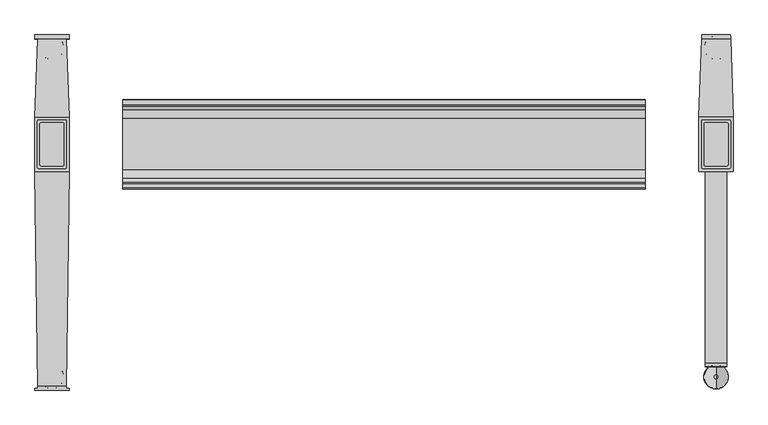
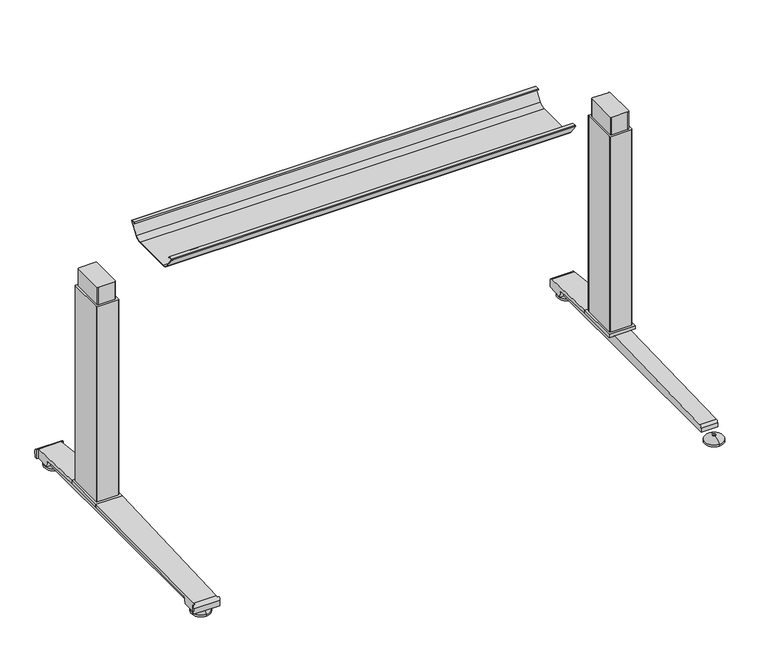
"""IFC4 building model written with IfcOpenShell, lengths in millimetres: furniture geometry."""

from ifc_helpers import new_model, si_unit, point, frame, frame_2d, origin, place, context, project, spatial, polyline, circle_curve, ellipse_curve, trimmed, segment, composite_curve, outline, extrude, source, transform, mapped, element, save
from ifc_brep_helpers import plane_surface, cylinder_surface, revolved_surface, advanced_brep


def furniture_2aeb3384(model_context):
    return source(origin(), model_context, "Body", "SolidModel", [
        advanced_brep(
        [(-538.5773962, 219.4245697, 701.7794894), (-538.5773962, 221.1889242, 704.0075511), (-538.5773962, 232.1695225, 704.0075511), (-538.5773962, 232.8996919, 701.4093085), (-538.5773962, 211.4733108, 671.8462148), (-538.5773962, 194.0724914, 663.2452863), (-538.5773962, 87.2846156, 663.2452863), (-538.5773962, 69.6568217, 672.2997482), (-538.5773962, 48.3221138, 702.0706054), (-538.5773962, 49.9606766, 704.1266572), (-538.5773962, 60.1758098, 704.1266572), (-538.5773962, 62.0467848, 701.7794894), (-538.5773962, 61.3055637, 701.2423822), (-538.5773962, 59.7353363, 703.2122572), (-538.5773962, 50.0567238, 703.2122572), (-538.5773962, 49.2508351, 702.3444366), (-538.5773962, 70.4000744, 672.8323858), (-538.5773962, 87.2846156, 664.1598536), (-538.5773962, 194.0724914, 664.1596863), (-538.5773962, 210.73984, 672.3923713), (-538.5773962, 232.0935627, 701.8552144), (-538.5773962, 231.8362942, 703.0931511), (-538.5773962, 221.631209, 703.0931511), (-538.5773962, 220.1656719, 701.2424419), (538.7619573, 219.4245697, 701.7794894), (538.7619573, 220.1656719, 701.2424419), (538.7619573, 221.631209, 703.0931511), (538.7619573, 231.8362942, 703.0931511), (538.7619573, 232.0935627, 701.8552144), (538.7619573, 210.73984, 672.3923713), (538.7619573, 194.0724914, 664.1596863), (538.7619573, 87.2846155, 664.1596863), (538.7619573, 70.4000744, 672.8323858), (538.7619573, 49.2508351, 702.3444366), (538.7619573, 50.0567238, 703.2122572), (538.7619573, 59.7353363, 703.2122572), (538.7619573, 61.3055637, 701.2423822), (538.7619573, 62.0467848, 701.7794894), (538.7619573, 60.1758098, 704.1266572), (538.7619573, 49.9606766, 704.1266572), (538.7619573, 48.3221138, 702.0706054), (538.7619573, 69.6568217, 672.2997482), (538.7619573, 87.2846156, 663.2454536), (538.7619573, 194.0724914, 663.2452863), (538.7619573, 211.4733108, 671.8462148), (538.7619573, 232.8996919, 701.4093085), (538.7619573, 232.1695225, 704.0075511), (538.7619573, 221.1889242, 704.0075511)],
        [
            (0, 1),
            (1, 2),
            (2, 3, circle_curve(frame((-538.5773962, 230.9519576, 702.2636667), z_axis=(-1.0, 0.0, 0.0), x_axis=(0.0, 1.0, 0.0)), 2.1268749)),
            (3, 4),
            (4, 5, circle_curve(frame((-538.5773962, 194.0724914, 685.1478336), z_axis=(-1.0, 0.0, 0.0), x_axis=(0.0, 1.0, 0.0)), 21.9025472)),
            (5, 6),
            (6, 7, circle_curve(frame((-538.5773962, 87.2846156, 684.932365), z_axis=(-1.0, 0.0, 0.0), x_axis=(0.0, 1.0, 0.0)), 21.6869114)),
            (7, 8),
            (8, 9, circle_curve(frame((-538.5773962, 50.3224635, 702.1573833), z_axis=(-1.0, 0.0, 0.0), x_axis=(0.0, 1.0, 0.0)), 2.0022311)),
            (9, 10),
            (10, 11),
            (11, 12),
            (12, 13),
            (13, 14),
            (14, 15, circle_curve(frame((-538.5773962, 50.3224635, 702.1573833), z_axis=(1.0, 0.0, 0.0), x_axis=(0.0, 1.0, 0.0)), 1.0878311)),
            (15, 16),
            (16, 17, circle_curve(frame((-538.5773962, 87.2846156, 684.932365), z_axis=(1.0, 0.0, 0.0), x_axis=(0.0, 1.0, 0.0)), 20.7725114)),
            (17, 18),
            (18, 19, circle_curve(frame((-538.5773962, 194.0724914, 685.1478336), z_axis=(1.0, 0.0, 0.0), x_axis=(0.0, 1.0, 0.0)), 20.9881473)),
            (19, 20),
            (20, 21, circle_curve(frame((-538.5773962, 230.9519576, 702.2636667), z_axis=(1.0, 0.0, 0.0), x_axis=(0.0, 1.0, 0.0)), 1.2124749)),
            (21, 22),
            (22, 23),
            (23, 0),
            (24, 25),
            (25, 26),
            (26, 27),
            (27, 28, circle_curve(frame((538.7619573, 230.9519576, 702.2636667), z_axis=(-1.0, 0.0, 0.0), x_axis=(0.0, 1.0, 0.0)), 1.2124749)),
            (28, 29),
            (29, 30, circle_curve(frame((538.7619573, 194.0724914, 685.1478336), z_axis=(-1.0, 0.0, 0.0), x_axis=(0.0, 1.0, 0.0)), 20.9881473)),
            (30, 31),
            (31, 32, circle_curve(frame((538.7619573, 87.2846156, 684.932365), z_axis=(-1.0, 0.0, 0.0), x_axis=(0.0, 1.0, 0.0)), 20.7725114)),
            (32, 33),
            (33, 34, circle_curve(frame((538.7619573, 50.3224635, 702.1573833), z_axis=(-1.0, 0.0, 0.0), x_axis=(0.0, 1.0, 0.0)), 1.0878311)),
            (34, 35),
            (35, 36),
            (36, 37),
            (37, 38),
            (38, 39),
            (39, 40, circle_curve(frame((538.7619573, 50.3224635, 702.1573833), z_axis=(1.0, 0.0, 0.0), x_axis=(0.0, 1.0, 0.0)), 2.0022311)),
            (40, 41),
            (41, 42, circle_curve(frame((538.7619573, 87.2846156, 684.932365), z_axis=(1.0, 0.0, 0.0), x_axis=(0.0, 1.0, 0.0)), 21.6869114)),
            (42, 43),
            (43, 44, circle_curve(frame((538.7619573, 194.0724914, 685.1478336), z_axis=(1.0, 0.0, 0.0), x_axis=(0.0, 1.0, 0.0)), 21.9025472)),
            (44, 45),
            (45, 46, circle_curve(frame((538.7619573, 230.9519576, 702.2636667), z_axis=(1.0, 0.0, 0.0), x_axis=(0.0, 1.0, 0.0)), 2.1268749)),
            (46, 47),
            (47, 24),
            (0, 24),
            (47, 1),
            (46, 2),
            (45, 3),
            (44, 4),
            (43, 5),
            (42, 6),
            (41, 7),
            (40, 8),
            (39, 9),
            (38, 10),
            (37, 11),
            (36, 12),
            (35, 13),
            (34, 14),
            (33, 15),
            (32, 16),
            (31, 17),
            (30, 18),
            (29, 19),
            (28, 20),
            (27, 21),
            (26, 22),
            (25, 23),
        ],
        [
            plane_surface(frame((-538.5773962, 140.7414, 707.009), z_axis=(-1.0, 0.0, 0.0), x_axis=(0.0, 0.0, 1.0))),
            plane_surface(frame((538.7619573, 140.7414, 707.009), z_axis=(1.0, 0.0, 0.0), x_axis=(0.0, 0.0, 1.0))),
            plane_surface(frame((-538.5773962, 219.4245697, 701.7794894), z_axis=(0.0, -0.7839649337165058, 0.6208051084703434), x_axis=(1.0, 0.0, 0.0))),
            plane_surface(frame((-538.5773962, 221.1889242, 704.0075511), z_axis=(0.0, 0.0, 1.0), x_axis=(1.0, 0.0, 0.0))),
            cylinder_surface(frame((-538.5773962, 230.9519576, 702.2636667), z_axis=(-1.0, 0.0, 0.0), x_axis=(0.0, 1.0, 0.0)), 2.1268749),
            plane_surface(frame((-538.5773962, 232.8996919, 701.4093085), z_axis=(0.0, 0.8096997445281038, -0.586844377762217), x_axis=(1.0, 0.0, 0.0))),
            cylinder_surface(frame((-538.5773962, 194.0724914, 685.1478336), z_axis=(-1.0, 0.0, 0.0), x_axis=(0.0, 1.0, 0.0)), 21.9025472),
            plane_surface(frame((-538.5773962, 194.0724914, 663.2452863), z_axis=(0.0, 0.0, -1.0), x_axis=(1.0, 0.0, 0.0))),
            cylinder_surface(frame((-538.5773962, 87.2846156, 684.932365), z_axis=(-1.0, 0.0, 0.0), x_axis=(0.0, 1.0, 0.0)), 21.6869114),
            plane_surface(frame((-538.5773962, 69.6568217, 672.2997482), z_axis=(0.0, -0.8128309997561537, -0.5824995844079305), x_axis=(1.0, 0.0, 0.0))),
            cylinder_surface(frame((-538.5773962, 50.3224635, 702.1573833), z_axis=(-1.0, 0.0, 0.0), x_axis=(0.0, 1.0, 0.0)), 2.0022311),
            plane_surface(frame((-538.5773962, 49.9606766, 704.1266572), z_axis=(0.0, 0.0, 1.0), x_axis=(1.0, 0.0, 0.0))),
            plane_surface(frame((-538.5773962, 60.1758098, 704.1266572), z_axis=(0.0, 0.7819660587237972, 0.6233210112004657), x_axis=(1.0, 0.0, 0.0))),
            plane_surface(frame((-538.5773962, 62.0467848, 701.7794894), z_axis=(0.0, 0.5867684336468096, -0.8097547809526473), x_axis=(1.0, 0.0, 0.0))),
            plane_surface(frame((-538.5773962, 61.3055637, 701.2423822), z_axis=(0.0, -0.7819660587239206, -0.6233210112003109), x_axis=(1.0, 0.0, 0.0))),
            plane_surface(frame((-538.5773962, 59.7353363, 703.2122572), z_axis=(0.0, 0.0, -1.0), x_axis=(1.0, 0.0, 0.0))),
            revolved_surface(polyline([(538.7619573000001, 51.4102946, 702.1573833), (-538.5773962, 51.4102946, 702.1573833)]), (-538.5773962, 50.3224635, 702.1573833), (1.0, 0.0, 0.0)),
            plane_surface(frame((-538.5773962, 49.2508351, 702.3444366), z_axis=(0.0, 0.8128309996716102, 0.582499584525904), x_axis=(1.0, 0.0, 0.0))),
            revolved_surface(polyline([(538.7619573000001, 108.057127, 684.932365), (-538.5773962, 108.057127, 684.932365)]), (-538.5773962, 87.2846156, 684.932365), (1.0, 0.0, 0.0)),
            plane_surface(frame((-538.5773962, 87.2846155, 664.1596863), z_axis=(0.0, 0.0, 1.0), x_axis=(1.0, 0.0, 0.0))),
            revolved_surface(polyline([(538.7619573000001, 215.0606387, 685.1478336), (-538.5773962, 215.0606387, 685.1478336)]), (-538.5773962, 194.0724914, 685.1478336), (1.0, 0.0, 0.0)),
            plane_surface(frame((-538.5773962, 210.73984, 672.3923713), z_axis=(0.0, -0.8096997449536107, 0.5868443771751228), x_axis=(1.0, 0.0, 0.0))),
            revolved_surface(polyline([(538.7619573000001, 232.16443249999998, 702.2636667), (-538.5773962, 232.16443249999998, 702.2636667)]), (-538.5773962, 230.9519576, 702.2636667), (1.0, 0.0, 0.0)),
            plane_surface(frame((-538.5773962, 231.8362942, 703.0931511), z_axis=(0.0, 0.0, -1.0), x_axis=(1.0, 0.0, 0.0))),
            plane_surface(frame((-538.5773962, 221.631209, 703.0931511), z_axis=(0.0, 0.7839649337164979, -0.6208051084703533), x_axis=(1.0, 0.0, 0.0))),
            plane_surface(frame((-538.5773962, 220.1656719, 701.2424419), z_axis=(0.0, -0.5867873637752554, -0.8097410633737715), x_axis=(1.0, 0.0, 0.0))),
        ],
        [
            (0, [[1, 2, 3, 4, 5, 6, 7, 8, 9, 10, 11, 12, 13, 14, 15, 16, 17, 18, 19, 20, 21, 22, 23, 24]]),
            (1, [[25, 26, 27, 28, 29, 30, 31, 32, 33, 34, 35, 36, 37, 38, 39, 40, 41, 42, 43, 44, 45, 46, 47, 48]]),
            (2, [[-1, 49, -48, 50]]),
            (3, [[-2, -50, -47, 51]]),
            (4, [[-3, -51, -46, 52]]),
            (5, [[-4, -52, -45, 53]]),
            (6, [[-5, -53, -44, 54]]),
            (7, [[-6, -54, -43, 55]]),
            (8, [[-7, -55, -42, 56]]),
            (9, [[-8, -56, -41, 57]]),
            (10, [[-9, -57, -40, 58]]),
            (11, [[-10, -58, -39, 59]]),
            (12, [[-11, -59, -38, 60]]),
            (13, [[-12, -60, -37, 61]]),
            (14, [[-13, -61, -36, 62]]),
            (15, [[-14, -62, -35, 63]]),
            (16, [[-15, -63, -34, 64]]),
            (17, [[-16, -64, -33, 65]]),
            (18, [[-17, -65, -32, 66]]),
            (19, [[-18, -66, -31, 67]]),
            (20, [[-19, -67, -30, 68]]),
            (21, [[-20, -68, -29, 69]]),
            (22, [[-21, -69, -28, 70]]),
            (23, [[-22, -70, -27, 71]]),
            (24, [[-23, -71, -26, 72]]),
            (25, [[-24, -72, -25, -49]]),
        ],
    ),
        advanced_brep(
        [(662.3283088, 185.4896497, 655.9442785), (659.5624028, 183.1364111, 655.9442785), (659.5624028, 98.3627858, 655.9442785), (662.6159671, 96.013387, 655.9442785), (705.9299922, 95.9931503, 655.9442785), (708.9895972, 98.3628936, 655.9442785), (708.9895972, 183.1364956, 655.9442785), (706.2236912, 185.4896497, 655.9442785), (662.3283088, 185.4896497, 606.5347438), (706.2236912, 185.4896497, 606.5347438), (708.9895972, 183.1364956, 606.5347438), (708.9895972, 98.3628936, 606.5347438), (705.9360098, 96.0133923, 606.5347438), (662.6220078, 95.9931503, 606.5347438), (659.5624028, 98.3627858, 606.5347438), (659.5624028, 183.1364111, 606.5347438)],
        [
            (0, 1, circle_curve(frame((662.6300788, 182.3328719, 655.9442785), z_axis=(0.0, 0.0, 1.0), x_axis=(1.0, 0.0, 0.0)), 3.1711688)),
            (1, 2),
            (2, 3, circle_curve(frame((662.6159671, 99.172478, 655.9442785), z_axis=(0.0, 0.0, 1.0), x_axis=(1.0, 0.0, 0.0)), 3.1590911)),
            (3, 4),
            (4, 5, circle_curve(frame((705.9360098, 99.172478, 655.9442785), z_axis=(0.0, 0.0, 1.0), x_axis=(1.0, 0.0, 0.0)), 3.1590858)),
            (5, 6),
            (6, 7, circle_curve(frame((705.9219439, 182.3328698, 655.9442785), z_axis=(0.0, 0.0, 1.0), x_axis=(1.0, 0.0, 0.0)), 3.1711687)),
            (7, 0),
            (8, 9),
            (9, 10, circle_curve(frame((705.9219439, 182.3328698, 606.5347438), z_axis=(0.0, 0.0, -1.0), x_axis=(1.0, 0.0, 0.0)), 3.1711687)),
            (10, 11),
            (11, 12, circle_curve(frame((705.9360098, 99.172478, 606.5347438), z_axis=(0.0, 0.0, -1.0), x_axis=(1.0, 0.0, 0.0)), 3.1590858)),
            (12, 13),
            (13, 14, circle_curve(frame((662.6159671, 99.172478, 606.5347438), z_axis=(0.0, 0.0, -1.0), x_axis=(1.0, 0.0, 0.0)), 3.1590911)),
            (14, 15),
            (15, 8, circle_curve(frame((662.6300788, 182.3328719, 606.5347438), z_axis=(0.0, 0.0, -1.0), x_axis=(1.0, 0.0, 0.0)), 3.1711688)),
            (7, 9),
            (8, 0),
            (6, 10),
            (5, 11),
            (4, 12),
            (3, 13),
            (2, 14),
            (1, 15),
        ],
        [
            plane_surface(frame((665.8012476, 182.3328719, 655.9442785), z_axis=(0.0, 0.0, 1.0), x_axis=(0.0, 1.0, 0.0))),
            plane_surface(frame((665.8012476, 182.3328719, 606.5347438), z_axis=(0.0, 0.0, -1.0), x_axis=(0.0, -1.0, 0.0))),
            plane_surface(frame((706.2236912, 185.4896497, 655.9442785), z_axis=(0.0, 1.0, 0.0), x_axis=(0.0, 0.0, -1.0))),
            cylinder_surface(frame((705.9219439, 182.3328698, 606.5347438), z_axis=(0.0, 0.0, 1.0), x_axis=(1.0, 0.0, 0.0)), 3.1711687),
            plane_surface(frame((708.9895972, 98.3628936, 655.9442785), z_axis=(1.0, 0.0, 0.0), x_axis=(0.0, 0.0, -1.0))),
            cylinder_surface(frame((705.9360098, 99.172478, 606.5347438), z_axis=(0.0, 0.0, 1.0), x_axis=(1.0, 0.0, 0.0)), 3.1590858),
            plane_surface(frame((662.6220078, 95.9931503, 655.9442785), z_axis=(0.0, -1.0, 0.0), x_axis=(0.0, 0.0, -1.0))),
            cylinder_surface(frame((662.6159671, 99.172478, 606.5347438), z_axis=(0.0, 0.0, 1.0), x_axis=(1.0, 0.0, 0.0)), 3.1590911),
            plane_surface(frame((659.5624028, 183.1364111, 655.9442785), z_axis=(-1.0, 0.0, 0.0), x_axis=(0.0, 0.0, -1.0))),
            cylinder_surface(frame((662.6300788, 182.3328719, 606.5347438), z_axis=(0.0, 0.0, 1.0), x_axis=(1.0, 0.0, 0.0)), 3.1711688),
        ],
        [
            (0, [[1, 2, 3, 4, 5, 6, 7, 8]]),
            (1, [[9, 10, 11, 12, 13, 14, 15, 16]]),
            (2, [[-8, 17, -9, 18]]),
            (3, [[-7, 19, -10, -17]]),
            (4, [[-6, 20, -11, -19]]),
            (5, [[-5, 21, -12, -20]]),
            (6, [[-4, 22, -13, -21]]),
            (7, [[-3, 23, -14, -22]]),
            (8, [[-2, 24, -15, -23]]),
            (9, [[-1, -18, -16, -24]]),
        ],
    ),
        advanced_brep(
        [(-662.3283088, 185.4896497, 655.9442785), (-706.2236912, 185.4896497, 655.9442785), (-708.9806448, 183.1699241, 655.9442785), (-708.9806448, 98.3298508, 655.9442785), (-705.9360098, 96.0133923, 655.9442785), (-662.6220078, 95.9931503, 655.9442785), (-659.5713552, 98.3297475, 655.9442785), (-659.5713552, 183.1698433, 655.9442785), (-662.3283088, 185.4896497, 606.5347438), (-659.5713552, 183.1698433, 606.5347438), (-659.5713552, 98.3297475, 606.5347438), (-662.6159671, 96.013387, 606.5347438), (-705.9299922, 95.9931503, 606.5347438), (-708.9806448, 98.3298508, 606.5347438), (-708.9806448, 183.1699241, 606.5347438), (-706.2236912, 185.4896497, 606.5347438)],
        [
            (0, 1),
            (1, 2, circle_curve(frame((-705.9219439, 182.3328698, 655.9442785), z_axis=(0.0, 0.0, 1.0), x_axis=(-1.0, 0.0, 0.0)), 3.1711687)),
            (2, 3),
            (3, 4, circle_curve(frame((-705.9360098, 99.172478, 655.9442785), z_axis=(0.0, 0.0, 1.0), x_axis=(-1.0, 0.0, 0.0)), 3.1590858)),
            (4, 5),
            (5, 6, circle_curve(frame((-662.6159671, 99.1724781, 655.9442785), z_axis=(0.0, 0.0, 1.0), x_axis=(-1.0, 0.0, 0.0)), 3.1590911)),
            (6, 7),
            (7, 0, circle_curve(frame((-662.6300788, 182.3328719, 655.9442785), z_axis=(0.0, 0.0, 1.0), x_axis=(-1.0, 0.0, 0.0)), 3.1711688)),
            (8, 9, circle_curve(frame((-662.6300788, 182.3328719, 606.5347438), z_axis=(0.0, 0.0, -1.0), x_axis=(-1.0, 0.0, 0.0)), 3.1711688)),
            (9, 10),
            (10, 11, circle_curve(frame((-662.6159671, 99.1724781, 606.5347438), z_axis=(0.0, 0.0, -1.0), x_axis=(-1.0, 0.0, 0.0)), 3.1590911)),
            (11, 12),
            (12, 13, circle_curve(frame((-705.9360098, 99.172478, 606.5347438), z_axis=(0.0, 0.0, -1.0), x_axis=(-1.0, 0.0, 0.0)), 3.1590858)),
            (13, 14),
            (14, 15, circle_curve(frame((-705.9219439, 182.3328698, 606.5347438), z_axis=(0.0, 0.0, -1.0), x_axis=(-1.0, 0.0, 0.0)), 3.1711687)),
            (15, 8),
            (0, 8),
            (15, 1),
            (14, 2),
            (13, 3),
            (12, 4),
            (11, 5),
            (10, 6),
            (9, 7),
        ],
        [
            plane_surface(frame((-706.2236912, 185.4896497, 655.9442785), z_axis=(0.0, 0.0, 1.0), x_axis=(-1.0, 0.0, 0.0))),
            plane_surface(frame((-706.2236912, 185.4896497, 606.5347438), z_axis=(0.0, 0.0, -1.0), x_axis=(1.0, 0.0, 0.0))),
            plane_surface(frame((-662.3283088, 185.4896497, 655.9442785), z_axis=(0.0, 1.0, 0.0), x_axis=(0.0, 0.0, -1.0))),
            cylinder_surface(frame((-705.9219439, 182.3328698, 606.5347438), z_axis=(0.0, 0.0, 1.0), x_axis=(-1.0, 0.0, 0.0)), 3.1711687),
            plane_surface(frame((-708.9806448, 183.1699241, 655.9442785), z_axis=(-1.0, 0.0, 0.0), x_axis=(0.0, 0.0, -1.0))),
            cylinder_surface(frame((-705.9360098, 99.172478, 606.5347438), z_axis=(0.0, 0.0, 1.0), x_axis=(-1.0, 0.0, 0.0)), 3.1590858),
            plane_surface(frame((-705.9299922, 95.9931503, 655.9442785), z_axis=(0.0, -1.0, 0.0), x_axis=(0.0, 0.0, -1.0))),
            cylinder_surface(frame((-662.6159671, 99.1724781, 606.5347438), z_axis=(0.0, 0.0, 1.0), x_axis=(-1.0, 0.0, 0.0)), 3.1590911),
            plane_surface(frame((-659.5713552, 98.3297475, 655.9442785), z_axis=(1.0, 1.025876322435468e-12, 0.0), x_axis=(0.0, 0.0, -1.0))),
            cylinder_surface(frame((-662.6300788, 182.3328719, 606.5347438), z_axis=(0.0, 0.0, 1.0), x_axis=(-1.0, 0.0, 0.0)), 3.1711688),
        ],
        [
            (0, [[1, 2, 3, 4, 5, 6, 7, 8]]),
            (1, [[9, 10, 11, 12, 13, 14, 15, 16]]),
            (2, [[-1, 17, -16, 18]]),
            (3, [[-2, -18, -15, 19]]),
            (4, [[-3, -19, -14, 20]]),
            (5, [[-4, -20, -13, 21]]),
            (6, [[-5, -21, -12, 22]]),
            (7, [[-6, -22, -11, 23]]),
            (8, [[-7, -23, -10, 24]]),
            (9, [[-8, -24, -9, -17]]),
        ],
    ),
        advanced_brep(
        [(-654.6293817, 357.9495, 43.2908342), (-654.6293817, 357.9495, 17.4790914), (-649.1452167, 357.9495, 17.4770754), (-649.1452167, 357.9495, 43.2908342), (-649.1452167, 196.8596127, 55.5357953), (-649.1452167, 196.8596127, 46.3897851), (-653.0432936, 311.3603185, 36.4652791), (-653.2460244, 317.3152602, 30.2689663), (-653.2841188, 318.4342309, 17.4790914), (-713.9222604, 357.9495, 43.2908342), (-713.9222604, 357.9495, 17.4790914), (-715.2675233, 318.4342309, 17.4790914), (-715.3056177, 317.3152602, 30.2689663), (-715.5083485, 311.3603185, 36.4652791), (-719.4064258, 196.8596006, 46.3897862), (-719.4064254, 196.8596127, 55.5357953), (-719.4067833, 357.9495, 43.2908342), (-719.4067833, 357.9495, 17.4770754), (-649.1452167, 364.9497362, 17.4767183), (-649.1452167, 366.395, 34.2542654), (-649.1452167, 358.907527, 43.214377), (-719.4067833, 358.907527, 43.214377), (-719.4067833, 366.395, 34.2542654), (-719.4067833, 364.9497362, 17.4767183)],
        [
            (0, 1),
            (1, 2),
            (2, 3),
            (3, 0),
            (0, 4, ellipse_curve(frame((-596.2830212, -1355.8954809, -21437.6388306), z_axis=(0.9994210018690187, 0.03402441804244313, 0.0), x_axis=(0.034024418042439664, -0.9994210018690188, 0.0)), 21561.6744993, 21549.1903301)),
            (4, 5),
            (5, 6),
            (6, 7, ellipse_curve(frame((-653.0137662, 310.4929906, 29.6720942), z_axis=(-0.9994210018690187, -0.03402441804244313, 0.0), x_axis=(-0.034024418042439664, 0.9994210018690188, 0.0)), 6.8522971, 6.8483297)),
            (7, 8),
            (8, 1),
            (9, 10),
            (10, 11),
            (11, 12),
            (12, 13, ellipse_curve(frame((-715.5378759, 310.4929906, 29.6720942), z_axis=(0.999421001869002, -0.034024418042935656, 0.0), x_axis=(-0.03402441804293575, -0.999421001869002, 0.0)), 6.8522971, 6.8483297)),
            (13, 14),
            (14, 15),
            (15, 9, ellipse_curve(frame((-772.2686209, -1355.8954809, -21437.6388306), z_axis=(-0.999421001869002, 0.034024418042935656, 0.0), x_axis=(0.03402441804293575, 0.999421001869002, 0.0)), 21561.6744993, 21549.1903301)),
            (9, 16),
            (16, 17),
            (17, 10),
            (18, 19),
            (19, 20, circle_curve(frame((-649.1452167, 358.1409412, 34.9652926), z_axis=(1.0, 0.0, 0.0), x_axis=(0.0, 1.0, 0.0)), 8.2846272)),
            (20, 3, circle_curve(frame((-649.1452167, -1355.8954809, -21437.6388306), z_axis=(1.0, 0.0, 0.0), x_axis=(0.0, 1.0, 0.0)), 21549.1903301)),
            (2, 18),
            (21, 22, circle_curve(frame((-719.4067833, 358.1409412, 34.9652926), z_axis=(-1.0, 0.0, 0.0), x_axis=(0.0, 1.0, 0.0)), 8.2846272)),
            (22, 23),
            (23, 17),
            (16, 21, circle_curve(frame((-719.4067833, -1355.8954809, -21437.6388306), z_axis=(-1.0, 0.0, 0.0), x_axis=(0.0, 1.0, 0.0)), 21549.1903301)),
            (19, 22),
            (21, 20),
            (18, 23),
            (8, 11),
            (7, 12),
            (6, 13),
            (5, 14),
            (4, 15),
        ],
        [
            plane_surface(frame((-647.7662693, 357.9495, 55.5357953), z_axis=(0.0, -1.0, 0.0), x_axis=(0.0, 0.0, -1.0))),
            plane_surface(frame((-654.6293817, 357.9495, 55.5357953), z_axis=(0.9994210018690187, 0.03402441804244313, 0.0), x_axis=(0.0, 0.0, -1.0))),
            plane_surface(frame((-719.4064254, 196.8596127, 55.5357953), z_axis=(-0.999421001869002, 0.034024418042935656, 0.0), x_axis=(0.0, 0.0, -1.0))),
            plane_surface(frame((-713.9222604, 357.9495, 55.5357953), z_axis=(0.0, -1.0, 0.0), x_axis=(0.0, 0.0, -1.0))),
            plane_surface(frame((-649.1452167, 366.395, 34.2542654), z_axis=(1.0, 0.0, 0.0), x_axis=(0.0, 0.08582489095335054, 0.9963102368704466))),
            plane_surface(frame((-719.4067833, 366.395, 34.2542654), z_axis=(-1.0, 0.0, 0.0), x_axis=(0.0, -0.08582489095335054, -0.9963102368704466))),
            cylinder_surface(frame((-719.4067833, 358.1409412, 34.9652926), z_axis=(1.0, 0.0, 0.0), x_axis=(0.0, 1.0, 0.0)), 8.2846272),
            plane_surface(frame((-649.1452167, 364.9497362, 17.4767183), z_axis=(0.0, 0.9963102368704466, -0.08582489095335054), x_axis=(-1.0, 0.0, 0.0))),
            plane_surface(frame((-649.1452167, 318.4342309, 17.4790914), z_axis=(0.0, -5.101798420159606e-05, -0.9999999986985827), x_axis=(-1.0, 0.0, 0.0))),
            plane_surface(frame((-649.1452167, 317.3152602, 30.2689663), z_axis=(0.0, -0.9961946873837867, -0.08715586514010104), x_axis=(-1.0, 0.0, 0.0))),
            revolved_surface(polyline([(-715.7710213210848, 317.3413203, 29.6720942), (-652.7806207789185, 317.3413203, 29.6720942)]), (-719.4067833, 310.4929906, 29.6720942), (-1.0, 0.0, 0.0)),
            plane_surface(frame((-649.1452167, 196.8596127, 46.3897851), z_axis=(0.0, -0.08635260649818584, -0.9962646372078905), x_axis=(-1.0, 0.0, 0.0))),
            plane_surface(frame((-649.1452167, 196.8596127, 55.5357953), z_axis=(0.0, -1.0, 0.0), x_axis=(-1.0, 0.0, 0.0))),
            cylinder_surface(frame((-719.4067833, -1355.8954809, -21437.6388306), z_axis=(1.0, 0.0, 0.0), x_axis=(0.0, 1.0, 0.0)), 21549.1903301),
        ],
        [
            (0, [[1, 2, 3, 4]]),
            (1, [[-1, 5, 6, 7, 8, 9, 10]]),
            (2, [[11, 12, 13, 14, 15, 16, 17]]),
            (3, [[-11, 18, 19, 20]]),
            (4, [[21, 22, 23, -3, 24]]),
            (5, [[25, 26, 27, -19, 28]]),
            (6, [[-22, 29, -25, 30]]),
            (7, [[-21, 31, -26, -29]]),
            (8, [[-31, -24, -2, -10, 32, -12, -20, -27]]),
            (9, [[-32, -9, 33, -13]]),
            (10, [[-33, -8, 34, -14]]),
            (11, [[35, -15, -34, -7]]),
            (12, [[-35, -6, 36, -16]]),
            (13, [[-30, -28, -18, -17, -36, -5, -4, -23]]),
        ],
    ),
        extrude(outline(polyline([(-649.1452167, 196.8596127), (-649.1452167, 84.6231873), (-719.4067833, 84.6231873), (-719.4067833, 196.8596127), (-649.1452167, 196.8596127)])), frame((0.0, 0.0, 46.3897851), z_axis=(0.0, 0.0, 1.0), x_axis=(1.0, 0.0, 0.0)), (0.0, 0.0, 1.0), 9.1460102),
        advanced_brep(
        [(-649.1452167, -366.395, 34.2542654), (-649.1452167, -364.9497362, 17.4767183), (-649.1452167, -362.7755, 17.4768292), (-649.1452167, -362.7755, 41.8323088), (-719.4067833, -364.9497362, 17.4767183), (-719.4067833, -366.395, 34.2542654), (-719.4067833, -362.7755, 41.8323088), (-719.4067833, -362.7755, 17.4768292), (-654.6293817, -362.7755, 41.8323088), (-654.5819685, -358.907527, 43.214377), (-713.9696736, -358.907527, 43.214377), (-713.9222604, -362.7755, 41.8323088), (-713.9222604, -362.7755, 17.4768292), (-714.4657909, -318.4342309, 17.4790914), (-654.0858512, -318.4342309, 17.4790914), (-654.6293817, -362.7754999, 17.4768292), (-714.4795071, -317.3152602, 30.2689663), (-654.072135, -317.3152602, 30.2689663), (-714.5525021, -311.3603185, 36.4652791), (-653.99914, -311.3603185, 36.4652791), (-719.4067833, 84.6231873, 46.3897851), (-649.1452167, 84.6231873, 46.3897851), (-719.4064254, 84.6231873, 55.5357953), (-649.1452167, 84.6231873, 55.5357953)],
        [
            (0, 1),
            (1, 2),
            (2, 3),
            (3, 0, circle_curve(frame((-649.1452167, -358.1409412, 34.9652926), z_axis=(1.0, 0.0, 0.0), x_axis=(0.0, 1.0, 0.0)), 8.2846272)),
            (4, 5),
            (5, 6, circle_curve(frame((-719.4067833, -358.1409412, 34.9652926), z_axis=(-1.0, 0.0, 0.0), x_axis=(0.0, 1.0, 0.0)), 8.2846272)),
            (6, 7),
            (7, 4),
            (5, 0),
            (3, 8),
            (8, 9, ellipse_curve(frame((-654.5725718, -358.1409412, 34.9652926), z_axis=(-0.9999248805016351, 0.01225697164029382, 0.0), x_axis=(0.012256971640284211, 0.9999248805016352, 0.0)), 8.2852495, 8.2846272)),
            (9, 10),
            (10, 11, ellipse_curve(frame((-713.9790703, -358.1409412, 34.9652926), z_axis=(0.9999248805016291, 0.012256971640775199, 0.0), x_axis=(0.012256971640777886, -0.9999248805016292, 0.0)), 8.2852495, 8.2846272)),
            (11, 6),
            (4, 1),
            (7, 12),
            (12, 13),
            (13, 14),
            (14, 15),
            (15, 2),
            (13, 16),
            (16, 17),
            (17, 14),
            (16, 18, ellipse_curve(frame((-714.5631337, -310.4929906, 29.6720942), z_axis=(-0.9999248805016291, -0.012256971640775199, 0.0), x_axis=(-0.012256971640777886, 0.9999248805016292, 0.0)), 6.8488441, 6.8483297)),
            (18, 19),
            (19, 17, ellipse_curve(frame((-653.9885083, -310.4929906, 29.6720942), z_axis=(0.9999248805016351, -0.01225697164029382, 0.0), x_axis=(-0.012256971640284211, -0.9999248805016352, 0.0)), 6.8488441, 6.8483297)),
            (20, 21),
            (21, 19),
            (18, 20),
            (20, 22),
            (22, 23),
            (23, 21),
            (22, 10, ellipse_curve(frame((-734.9303878, 1351.0694809, -53521.3711911), z_axis=(0.9999248805016291, 0.012256971640775199, 0.0), x_axis=(0.012256971640777886, -0.9999248805016292, 0.0)), 53595.8990672, 53591.8729702)),
            (9, 23, ellipse_curve(frame((-633.6212543, 1351.0694809, -53521.3711911), z_axis=(-0.9999248805016351, 0.01225697164029382, 0.0), x_axis=(0.012256971640284211, 0.9999248805016352, 0.0)), 53595.8990672, 53591.8729702)),
            (15, 8),
            (11, 12),
        ],
        [
            plane_surface(frame((-649.1452167, -318.4342309, 17.4790914), z_axis=(1.0, 0.0, 0.0), x_axis=(0.0, 0.9999999986985827, 5.101798398838342e-05))),
            plane_surface(frame((-719.4067833, -318.4342309, 17.4790914), z_axis=(-1.0, 0.0, 0.0), x_axis=(0.0, -0.9999999986985827, -5.101798398838342e-05))),
            cylinder_surface(frame((-719.4067833, -358.1409412, 34.9652926), z_axis=(1.0, 0.0, 0.0), x_axis=(0.0, 1.0, 0.0)), 8.2846272),
            plane_surface(frame((-649.1452167, -366.395, 34.2542654), z_axis=(0.0, -0.9963102368704695, -0.08582489095308615), x_axis=(-1.0, 0.0, 0.0))),
            plane_surface(frame((-649.1452167, -364.9497362, 17.4767183), z_axis=(0.0, 5.101798398838342e-05, -0.9999999986985827), x_axis=(-1.0, 0.0, 0.0))),
            plane_surface(frame((-649.1452167, -318.4342309, 17.4790914), z_axis=(0.0, 0.9961946873837948, -0.08715586514000956), x_axis=(-1.0, 0.0, 0.0))),
            revolved_surface(polyline([(-714.6470797879058, -303.64466089999996, 29.6720942), (-653.9045622120976, -303.64466089999996, 29.6720942)]), (-719.4067833, -310.4929906, 29.6720942), (-1.0, 0.0, 0.0)),
            plane_surface(frame((-649.1452167, -311.3603185, 36.4652791), z_axis=(0.0, 0.025055059879483286, -0.9996860727120467), x_axis=(-1.0, 0.0, 0.0))),
            plane_surface(frame((-649.1452167, 84.6231873, 46.3897851), z_axis=(0.0, 1.0, 0.0), x_axis=(-1.0, 0.0, 0.0))),
            cylinder_surface(frame((-719.4067833, 1351.0694809, -53521.3711911), z_axis=(1.0, 0.0, 0.0), x_axis=(0.0, 1.0, 0.0)), 53591.8729702),
            plane_surface(frame((-654.6293817, -362.7755, 55.5357953), z_axis=(0.0, 1.0, 0.0), x_axis=(0.0, 0.0, -1.0))),
            plane_surface(frame((-649.1452167, 84.6231873, 55.5357953), z_axis=(0.9999248805016351, -0.01225697164029382, 0.0), x_axis=(0.0, 0.0, -1.0))),
            plane_surface(frame((-720.7853728, -362.7755, 55.5357953), z_axis=(0.0, 1.0, 0.0), x_axis=(0.0, 0.0, -1.0))),
            plane_surface(frame((-713.9222604, -362.7755, 55.5357953), z_axis=(-0.9999248805016291, -0.012256971640775199, 0.0), x_axis=(0.0, 0.0, -1.0))),
        ],
        [
            (0, [[1, 2, 3, 4]]),
            (1, [[5, 6, 7, 8]]),
            (2, [[9, -4, 10, 11, 12, 13, 14, -6]]),
            (3, [[-1, -9, -5, 15]]),
            (4, [[-15, -8, 16, 17, 18, 19, 20, -2]]),
            (5, [[-18, 21, 22, 23]]),
            (6, [[-22, 24, 25, 26]]),
            (7, [[27, 28, -25, 29]]),
            (8, [[-27, 30, 31, 32]]),
            (9, [[-31, 33, -12, 34]]),
            (10, [[35, -10, -3, -20]]),
            (11, [[-35, -19, -23, -26, -28, -32, -34, -11]]),
            (12, [[36, -16, -7, -14]]),
            (13, [[-36, -13, -33, -30, -29, -24, -21, -17]]),
        ],
    ),
        extrude(outline(composite_curve([segment(trimmed(circle_curve(frame_2d((-656.616092, 188.467308)), 2.248592), [point((-656.616092, 190.7159))], [point((-654.3675, 188.467308))], False, "CARTESIAN"), True, "CONTINUOUS"), segment(polyline([(-654.3675, 188.467308), (-654.3675, 93.0155469)]), True, "CONTINUOUS"), segment(trimmed(circle_curve(frame_2d((-656.6161469, 93.0155469)), 2.2486469), [point((-654.3675, 93.0155469))], [point((-656.6161469, 90.7669))], False, "CARTESIAN"), True, "CONTINUOUS"), segment(polyline([(-656.6161469, 90.7669), (-711.935908, 90.7669)]), True, "CONTINUOUS"), segment(trimmed(circle_curve(frame_2d((-711.935908, 93.015492)), 2.248592), [point((-711.935908, 90.7669))], [point((-714.1845, 93.015492))], False, "CARTESIAN"), True, "CONTINUOUS"), segment(polyline([(-714.1845, 93.015492), (-714.1845, 188.467308)]), True, "CONTINUOUS"), segment(trimmed(circle_curve(frame_2d((-711.935908, 188.467308)), 2.248592), [point((-714.1845, 188.467308))], [point((-711.935908, 190.7159))], False, "CARTESIAN"), True, "CONTINUOUS"), segment(polyline([(-711.935908, 190.7159), (-656.616092, 190.7159)]), True, "CONTINUOUS")], self_intersect=False)), frame((0.0, 0.0, 55.5357953), z_axis=(0.0, 0.0, 1.0), x_axis=(1.0, 0.0, 0.0)), (0.0, 0.0, 1.0), 550.9989485),
        advanced_brep(
        [(-684.276, 314.8489737, 0.0), (-684.276, 365.038997, 0.0), (-684.276, 339.9439854, 0.0), (-684.276, 314.9336842, 5.0038001), (-684.276, 364.9542866, 5.0038001), (-684.276, 335.9434855, 15.868465), (-684.276, 343.9444853, 15.868465), (-684.276, 335.9434855, 17.4780387), (-684.276, 343.9444853, 17.4780387), (-684.276, 339.9439854, 17.4780387)],
        [
            (0, 1, circle_curve(frame((-684.276, 339.9439854, 0.0), z_axis=(0.0, 0.0, -1.0), x_axis=(0.0, 1.0, 0.0)), 25.0950117)),
            (1, 2),
            (2, 0),
            (1, 0, circle_curve(frame((-684.276, 339.9439854, 0.0), z_axis=(0.0, 0.0, -1.0), x_axis=(0.0, 1.0, 0.0)), 25.0950117)),
            (3, 4, circle_curve(frame((-684.276, 339.9439854, 5.0038001), z_axis=(0.0, 0.0, -1.0), x_axis=(0.0, 1.0, 0.0)), 25.0103012)),
            (4, 1),
            (0, 3),
            (4, 3, circle_curve(frame((-684.276, 339.9439854, 5.0038001), z_axis=(0.0, 0.0, -1.0), x_axis=(0.0, 1.0, 0.0)), 25.0103012)),
            (5, 6, circle_curve(frame((-684.276, 339.9439854, 15.868465), z_axis=(0.0, 0.0, -1.0), x_axis=(0.0, 1.0, 0.0)), 4.0004999)),
            (6, 4, circle_curve(frame((-684.276, 343.9764687, -9.8161175), z_axis=(-1.0, 0.0, 0.0), x_axis=(0.0, 1.0, 0.0)), 25.6846025)),
            (3, 5, circle_curve(frame((-684.276, 335.9115021, -9.8161175), z_axis=(-1.0, 0.0, 0.0), x_axis=(0.0, -1.0, 0.0)), 25.6846025)),
            (6, 5, circle_curve(frame((-684.276, 339.9439854, 15.868465), z_axis=(0.0, 0.0, -1.0), x_axis=(0.0, 1.0, 0.0)), 4.0004999)),
            (7, 8, circle_curve(frame((-684.276, 339.9439854, 17.4780387), z_axis=(0.0, 0.0, -1.0), x_axis=(0.0, 1.0, 0.0)), 4.0004999)),
            (8, 6),
            (5, 7),
            (8, 7, circle_curve(frame((-684.276, 339.9439854, 17.4780387), z_axis=(0.0, 0.0, -1.0), x_axis=(0.0, 1.0, 0.0)), 4.0004999)),
            (9, 8),
            (7, 9),
        ],
        [
            plane_surface(frame((-684.276, 339.9439854, 0.0), z_axis=(0.0, 0.0, -1.0), x_axis=(0.0, 1.0, 0.0))),
            revolved_surface(polyline([(-684.276, 365.038997, 0.0), (-684.276, 364.9542866, 5.0038001)]), (-684.276, 339.9439854, 0.0), (0.0, 0.0, 1.0)),
            revolved_surface(trimmed(ellipse_curve(frame((-684.276, 343.9764687, -9.8161175), z_axis=(1.0, 0.0, 0.0), x_axis=(0.0, 1.0, 0.0)), 25.6846025, 25.6846025), [point((-684.276, 364.9542866, 5.0038001))], [point((-684.276, 343.9444853, 15.868465))], True, "CARTESIAN"), (-684.276, 339.9439854, 0.0), (0.0, 0.0, 1.0)),
            cylinder_surface(frame((-684.276, 339.9439854, 0.0), z_axis=(0.0, 0.0, 1.0), x_axis=(0.0, 1.0, 0.0)), 4.0004999),
            plane_surface(frame((-684.276, 339.9439854, 17.4780387), z_axis=(0.0, 0.0, 1.0), x_axis=(0.0, 1.0, 0.0))),
        ],
        [
            (0, [[1, 2, 3]]),
            (0, [[4, -3, -2]]),
            (1, [[5, 6, -1, 7]]),
            (1, [[8, -7, -4, -6]]),
            (2, [[9, 10, -5, 11]]),
            (2, [[12, -11, -8, -10]]),
            (3, [[13, 14, -9, 15]]),
            (3, [[16, -15, -12, -14]]),
            (4, [[17, -13, 18]]),
            (4, [[-18, -16, -17]]),
        ],
    ),
        advanced_brep(
        [(-684.276, -364.1643617, 0.0), (-684.276, -313.9743384, 0.0), (-684.276, -339.06935, 0.0), (-684.276, -364.0796512, 5.0038001), (-684.276, -314.0590489, 5.0038001), (-684.276, -343.0698499, 15.868465), (-684.276, -335.0688501, 15.868465), (-684.276, -343.0698499, 17.4780387), (-684.276, -335.0688501, 17.4780387), (-684.276, -339.06935, 17.4780387)],
        [
            (0, 1, circle_curve(frame((-684.276, -339.06935, 0.0), z_axis=(0.0, 0.0, -1.0), x_axis=(0.0, 1.0, 0.0)), 25.0950117)),
            (1, 2),
            (2, 0),
            (1, 0, circle_curve(frame((-684.276, -339.06935, 0.0), z_axis=(0.0, 0.0, -1.0), x_axis=(0.0, 1.0, 0.0)), 25.0950117)),
            (3, 4, circle_curve(frame((-684.276, -339.06935, 5.0038001), z_axis=(0.0, 0.0, -1.0), x_axis=(0.0, 1.0, 0.0)), 25.0103012)),
            (4, 1),
            (0, 3),
            (4, 3, circle_curve(frame((-684.276, -339.06935, 5.0038001), z_axis=(0.0, 0.0, -1.0), x_axis=(0.0, 1.0, 0.0)), 25.0103012)),
            (5, 6, circle_curve(frame((-684.276, -339.06935, 15.868465), z_axis=(0.0, 0.0, -1.0), x_axis=(0.0, 1.0, 0.0)), 4.0004999)),
            (6, 4, circle_curve(frame((-684.276, -335.0368668, -9.8161175), z_axis=(-1.0, 0.0, 0.0), x_axis=(0.0, 1.0, 0.0)), 25.6846025)),
            (3, 5, circle_curve(frame((-684.276, -343.1018333, -9.8161175), z_axis=(-1.0, 0.0, 0.0), x_axis=(0.0, -1.0, 0.0)), 25.6846025)),
            (6, 5, circle_curve(frame((-684.276, -339.06935, 15.868465), z_axis=(0.0, 0.0, -1.0), x_axis=(0.0, 1.0, 0.0)), 4.0004999)),
            (7, 8, circle_curve(frame((-684.276, -339.06935, 17.4780387), z_axis=(0.0, 0.0, -1.0), x_axis=(0.0, 1.0, 0.0)), 4.0004999)),
            (8, 6),
            (5, 7),
            (8, 7, circle_curve(frame((-684.276, -339.06935, 17.4780387), z_axis=(0.0, 0.0, -1.0), x_axis=(0.0, 1.0, 0.0)), 4.0004999)),
            (9, 8),
            (7, 9),
        ],
        [
            plane_surface(frame((-684.276, -339.06935, 0.0), z_axis=(0.0, 0.0, -1.0), x_axis=(0.0, 1.0, 0.0))),
            revolved_surface(polyline([(-684.276, -313.9743384, 0.0), (-684.276, -314.0590489, 5.0038001)]), (-684.276, -339.06935, 0.0), (0.0, 0.0, 1.0)),
            revolved_surface(trimmed(ellipse_curve(frame((-684.276, -335.0368668, -9.8161175), z_axis=(1.0, 0.0, 0.0), x_axis=(0.0, 1.0, 0.0)), 25.6846025, 25.6846025), [point((-684.276, -314.0590489, 5.0038001))], [point((-684.276, -335.0688501, 15.868465))], True, "CARTESIAN"), (-684.276, -339.06935, 0.0), (0.0, 0.0, 1.0)),
            cylinder_surface(frame((-684.276, -339.06935, 0.0), z_axis=(0.0, 0.0, 1.0), x_axis=(0.0, 1.0, 0.0)), 4.0004999),
            plane_surface(frame((-684.276, -339.06935, 17.4780387), z_axis=(0.0, 0.0, 1.0), x_axis=(0.0, 1.0, 0.0))),
        ],
        [
            (0, [[1, 2, 3]]),
            (0, [[4, -3, -2]]),
            (1, [[5, 6, -1, 7]]),
            (1, [[8, -7, -4, -6]]),
            (2, [[9, 10, -5, 11]]),
            (2, [[12, -11, -8, -10]]),
            (3, [[13, 14, -9, 15]]),
            (3, [[16, -15, -12, -14]]),
            (4, [[17, -13, 18]]),
            (4, [[-18, -16, -17]]),
        ],
    ),
        extrude(outline(composite_curve([segment(polyline([(317.3152602, 30.2689663), (318.3038309, 18.9695673), (-318.3038309, 18.9695673), (-317.3152602, 30.2689663)]), True, "CONTINUOUS"), segment(trimmed(circle_curve(frame_2d((-310.4929906, 29.6720942)), 6.8483297), [point((-317.3152602, 30.2689663))], [point((-311.3603185, 36.4652791))], False, "CARTESIAN"), True, "CONTINUOUS"), segment(polyline([(-311.3603185, 36.4652791), (84.6231873, 46.3897851), (196.8596127, 46.3897851), (311.3603185, 36.4652791)]), True, "CONTINUOUS"), segment(trimmed(circle_curve(frame_2d((310.4929906, 29.6720942)), 6.8483297), [point((311.3603185, 36.4652791))], [point((317.3152602, 30.2689663))], False, "CARTESIAN"), True, "CONTINUOUS")], self_intersect=False)), frame((-706.2724, 0.0, 0.0), z_axis=(1.0, 0.0, 0.0), x_axis=(0.0, 1.0, 0.0)), (0.0, 0.0, 1.0), 43.9928),
        extrude(outline(composite_curve([segment(trimmed(circle_curve(frame_2d((711.8521079, 188.3835079)), 2.3323921), [point((711.8521079, 190.7159))], [point((714.1845, 188.3835079))], False, "CARTESIAN"), True, "CONTINUOUS"), segment(polyline([(714.1845, 188.3835079), (714.1845, 93.0992921)]), True, "CONTINUOUS"), segment(trimmed(circle_curve(frame_2d((711.8521079, 93.0992921)), 2.3323921), [point((714.1845, 93.0992921))], [point((711.8521079, 90.7669))], False, "CARTESIAN"), True, "CONTINUOUS"), segment(polyline([(711.8521079, 90.7669), (656.6998921, 90.7669)]), True, "CONTINUOUS"), segment(trimmed(circle_curve(frame_2d((656.6998921, 93.0992921)), 2.3323921), [point((656.6998921, 90.7669))], [point((654.3675, 93.0992921))], False, "CARTESIAN"), True, "CONTINUOUS"), segment(polyline([(654.3675, 93.0992921), (654.3675, 188.3835079)]), True, "CONTINUOUS"), segment(trimmed(circle_curve(frame_2d((656.6998921, 188.3835079)), 2.3323921), [point((654.3675, 188.3835079))], [point((656.6998921, 190.7159))], False, "CARTESIAN"), True, "CONTINUOUS"), segment(polyline([(656.6998921, 190.7159), (711.8521079, 190.7159)]), True, "CONTINUOUS")], self_intersect=False)), frame((0.0, 0.0, 55.5357953), z_axis=(0.0, 0.0, 1.0), x_axis=(1.0, 0.0, 0.0)), (0.0, 0.0, 1.0), 550.9989485),
        advanced_brep(
        [(684.276, 314.8489737, 0.0), (684.276, 365.038997, 0.0), (684.276, 339.9439854, 0.0), (684.276, 314.9336842, 5.0038001), (684.276, 364.9542866, 5.0038001), (684.276, 335.9434855, 15.868465), (684.276, 343.9444853, 15.868465), (684.276, 335.9434855, 17.4780387), (684.276, 343.9444853, 17.4780387), (684.276, 339.9439854, 17.4780387)],
        [
            (0, 1, circle_curve(frame((684.276, 339.9439854, 0.0), z_axis=(0.0, 0.0, -1.0), x_axis=(0.0, 1.0, 0.0)), 25.0950117)),
            (1, 2),
            (2, 0),
            (1, 0, circle_curve(frame((684.276, 339.9439854, 0.0), z_axis=(0.0, 0.0, -1.0), x_axis=(0.0, 1.0, 0.0)), 25.0950117)),
            (3, 4, circle_curve(frame((684.276, 339.9439854, 5.0038001), z_axis=(0.0, 0.0, -1.0), x_axis=(0.0, 1.0, 0.0)), 25.0103012)),
            (4, 1),
            (0, 3),
            (4, 3, circle_curve(frame((684.276, 339.9439854, 5.0038001), z_axis=(0.0, 0.0, -1.0), x_axis=(0.0, 1.0, 0.0)), 25.0103012)),
            (5, 6, circle_curve(frame((684.276, 339.9439854, 15.868465), z_axis=(0.0, 0.0, -1.0), x_axis=(0.0, 1.0, 0.0)), 4.0004999)),
            (6, 4, circle_curve(frame((684.276, 343.9764687, -9.8161175), z_axis=(-1.0, 0.0, 0.0), x_axis=(0.0, 1.0, 0.0)), 25.6846025)),
            (3, 5, circle_curve(frame((684.276, 335.9115021, -9.8161175), z_axis=(-1.0, 0.0, 0.0), x_axis=(0.0, -1.0, 0.0)), 25.6846025)),
            (6, 5, circle_curve(frame((684.276, 339.9439854, 15.868465), z_axis=(0.0, 0.0, -1.0), x_axis=(0.0, 1.0, 0.0)), 4.0004999)),
            (7, 8, circle_curve(frame((684.276, 339.9439854, 17.4780387), z_axis=(0.0, 0.0, -1.0), x_axis=(0.0, 1.0, 0.0)), 4.0004999)),
            (8, 6),
            (5, 7),
            (8, 7, circle_curve(frame((684.276, 339.9439854, 17.4780387), z_axis=(0.0, 0.0, -1.0), x_axis=(0.0, 1.0, 0.0)), 4.0004999)),
            (9, 8),
            (7, 9),
        ],
        [
            plane_surface(frame((684.276, 339.9439854, 0.0), z_axis=(0.0, 0.0, -1.0), x_axis=(0.0, 1.0, 0.0))),
            revolved_surface(polyline([(684.276, 365.038997, 0.0), (684.276, 364.9542866, 5.0038001)]), (684.276, 339.9439854, 0.0), (0.0, 0.0, 1.0)),
            revolved_surface(trimmed(ellipse_curve(frame((684.276, 343.9764687, -9.8161175), z_axis=(1.0, 0.0, 0.0), x_axis=(0.0, 1.0, 0.0)), 25.6846025, 25.6846025), [point((684.276, 364.9542866, 5.0038001))], [point((684.276, 343.9444853, 15.868465))], True, "CARTESIAN"), (684.276, 339.9439854, 0.0), (0.0, 0.0, 1.0)),
            cylinder_surface(frame((684.276, 339.9439854, 0.0), z_axis=(0.0, 0.0, 1.0), x_axis=(0.0, 1.0, 0.0)), 4.0004999),
            plane_surface(frame((684.276, 339.9439854, 17.4780387), z_axis=(0.0, 0.0, 1.0), x_axis=(0.0, 1.0, 0.0))),
        ],
        [
            (0, [[1, 2, 3]]),
            (0, [[4, -3, -2]]),
            (1, [[5, 6, -1, 7]]),
            (1, [[8, -7, -4, -6]]),
            (2, [[9, 10, -5, 11]]),
            (2, [[12, -11, -8, -10]]),
            (3, [[13, 14, -9, 15]]),
            (3, [[16, -15, -12, -14]]),
            (4, [[17, -13, 18]]),
            (4, [[-18, -16, -17]]),
        ],
    ),
        advanced_brep(
        [(684.276, -364.1643617, 0.0), (684.276, -313.9743384, 0.0), (684.276, -339.06935, 0.0), (684.276, -364.0796512, 5.0038001), (684.276, -314.0590489, 5.0038001), (684.276, -343.0698499, 15.868465), (684.276, -335.0688501, 15.868465), (684.276, -343.0698499, 17.4780387), (684.276, -335.0688501, 17.4780387), (684.276, -339.06935, 17.4780387)],
        [
            (0, 1, circle_curve(frame((684.276, -339.06935, 0.0), z_axis=(0.0, 0.0, -1.0), x_axis=(0.0, 1.0, 0.0)), 25.0950117)),
            (1, 2),
            (2, 0),
            (1, 0, circle_curve(frame((684.276, -339.06935, 0.0), z_axis=(0.0, 0.0, -1.0), x_axis=(0.0, 1.0, 0.0)), 25.0950117)),
            (3, 4, circle_curve(frame((684.276, -339.06935, 5.0038001), z_axis=(0.0, 0.0, -1.0), x_axis=(0.0, 1.0, 0.0)), 25.0103012)),
            (4, 1),
            (0, 3),
            (4, 3, circle_curve(frame((684.276, -339.06935, 5.0038001), z_axis=(0.0, 0.0, -1.0), x_axis=(0.0, 1.0, 0.0)), 25.0103012)),
            (5, 6, circle_curve(frame((684.276, -339.06935, 15.868465), z_axis=(0.0, 0.0, -1.0), x_axis=(0.0, 1.0, 0.0)), 4.0004999)),
            (6, 4, circle_curve(frame((684.276, -335.0368668, -9.8161175), z_axis=(-1.0, 0.0, 0.0), x_axis=(0.0, 1.0, 0.0)), 25.6846025)),
            (3, 5, circle_curve(frame((684.276, -343.1018333, -9.8161175), z_axis=(-1.0, 0.0, 0.0), x_axis=(0.0, -1.0, 0.0)), 25.6846025)),
            (6, 5, circle_curve(frame((684.276, -339.06935, 15.868465), z_axis=(0.0, 0.0, -1.0), x_axis=(0.0, 1.0, 0.0)), 4.0004999)),
            (7, 8, circle_curve(frame((684.276, -339.06935, 17.4780387), z_axis=(0.0, 0.0, -1.0), x_axis=(0.0, 1.0, 0.0)), 4.0004999)),
            (8, 6),
            (5, 7),
            (8, 7, circle_curve(frame((684.276, -339.06935, 17.4780387), z_axis=(0.0, 0.0, -1.0), x_axis=(0.0, 1.0, 0.0)), 4.0004999)),
            (9, 8),
            (7, 9),
        ],
        [
            plane_surface(frame((684.276, -339.06935, 0.0), z_axis=(0.0, 0.0, -1.0), x_axis=(0.0, 1.0, 0.0))),
            revolved_surface(polyline([(684.276, -313.9743384, 0.0), (684.276, -314.0590489, 5.0038001)]), (684.276, -339.06935, 0.0), (0.0, 0.0, 1.0)),
            revolved_surface(trimmed(ellipse_curve(frame((684.276, -335.0368668, -9.8161175), z_axis=(1.0, 0.0, 0.0), x_axis=(0.0, 1.0, 0.0)), 25.6846025, 25.6846025), [point((684.276, -314.0590489, 5.0038001))], [point((684.276, -335.0688501, 15.868465))], True, "CARTESIAN"), (684.276, -339.06935, 0.0), (0.0, 0.0, 1.0)),
            cylinder_surface(frame((684.276, -339.06935, 0.0), z_axis=(0.0, 0.0, 1.0), x_axis=(0.0, 1.0, 0.0)), 4.0004999),
            plane_surface(frame((684.276, -339.06935, 17.4780387), z_axis=(0.0, 0.0, 1.0), x_axis=(0.0, 1.0, 0.0))),
        ],
        [
            (0, [[1, 2, 3]]),
            (0, [[4, -3, -2]]),
            (1, [[5, 6, -1, 7]]),
            (1, [[8, -7, -4, -6]]),
            (2, [[9, 10, -5, 11]]),
            (2, [[12, -11, -8, -10]]),
            (3, [[13, 14, -9, 15]]),
            (3, [[16, -15, -12, -14]]),
            (4, [[17, -13, 18]]),
            (4, [[-18, -16, -17]]),
        ],
    ),
        extrude(outline(polyline([(719.4067833, 196.8596127), (719.4067833, 84.6231873), (649.1452167, 84.6231873), (649.1452167, 196.8596127), (719.4067833, 196.8596127)])), frame((0.0, 0.0, 46.3897851), z_axis=(0.0, 0.0, 1.0), x_axis=(1.0, 0.0, 0.0)), (0.0, 0.0, 1.0), 9.1460102),
        advanced_brep(
        [(713.9735491, 366.395, 34.2542654), (714.213506, 358.907527, 43.214377), (719.4067833, 196.8596127, 55.5357953), (719.4067833, 196.8596127, 46.3897851), (715.7372889, 311.3603185, 36.4652791), (715.5464462, 317.3152602, 30.2689663), (715.5105857, 318.4342309, 17.4790914), (714.0198666, 364.9497362, 17.4767183), (654.3388519, 358.907527, 43.214377), (654.5788088, 366.395, 34.2542654), (654.5324913, 364.9497362, 17.4767183), (653.0417722, 318.4342309, 17.4790914), (653.0059117, 317.3152602, 30.2689663), (652.815069, 311.3603185, 36.4652791), (649.1455743, 196.8596013, 46.3897861), (649.1455746, 196.8596127, 55.5357953)],
        [
            (0, 1, ellipse_curve(frame((714.2380734, 358.1409412, 34.9652926), z_axis=(0.9994868648700389, 0.03203134327905391, 0.0), x_axis=(0.032031343279053416, -0.999486864870039, 0.0)), 8.2888805, 8.2846272)),
            (1, 2, ellipse_curve(frame((769.1691495, -1355.8954809, -21437.6388298), z_axis=(0.9994868648700389, 0.03203134327905391, 0.0), x_axis=(0.032031343279053416, -0.999486864870039, 0.0)), 21560.2536528, 21549.1903292)),
            (2, 3),
            (3, 4),
            (4, 5, ellipse_curve(frame((715.7650848, 310.4929906, 29.6720942), z_axis=(-0.9994868648700389, -0.03203134327905391, 0.0), x_axis=(-0.032031343279053416, 0.999486864870039, 0.0)), 6.8518456, 6.8483297)),
            (5, 6),
            (6, 7),
            (7, 0),
            (8, 9, ellipse_curve(frame((654.3142845, 358.1409412, 34.9652926), z_axis=(-0.9994868648700346, 0.03203134327918912, 0.0), x_axis=(0.03203134327919174, 0.9994868648700345, 0.0)), 8.2888805, 8.2846272)),
            (9, 10),
            (10, 11),
            (11, 12),
            (12, 13, ellipse_curve(frame((652.7872731, 310.4929906, 29.6720942), z_axis=(0.9994868648700346, -0.03203134327918912, 0.0), x_axis=(-0.03203134327919174, -0.9994868648700345, 0.0)), 6.8518456, 6.8483297)),
            (13, 14),
            (14, 15),
            (15, 8, ellipse_curve(frame((599.3832084, -1355.8954809, -21437.6388298), z_axis=(-0.9994868648700346, 0.03203134327918912, 0.0), x_axis=(0.03203134327919174, 0.9994868648700345, 0.0)), 21560.2536528, 21549.1903292)),
            (0, 9),
            (8, 1),
            (7, 10),
            (6, 11),
            (5, 12),
            (4, 13),
            (3, 14),
            (2, 15),
        ],
        [
            plane_surface(frame((713.9226732, 367.9825, 55.5357953), z_axis=(0.9994868648700389, 0.03203134327905391, 0.0), x_axis=(0.0, 0.0, -1.0))),
            plane_surface(frame((649.1455746, 196.8596127, 55.5357953), z_axis=(-0.9994868648700346, 0.03203134327918912, 0.0), x_axis=(0.0, 0.0, -1.0))),
            cylinder_surface(frame((649.1452167, 358.1409412, 34.9652926), z_axis=(1.0, 0.0, 0.0), x_axis=(0.0, 1.0, 0.0)), 8.2846272),
            plane_surface(frame((719.4067833, 364.9497362, 17.4767183), z_axis=(0.0, 0.9963102368702462, -0.08582489095567804), x_axis=(-1.0, 0.0, 0.0))),
            plane_surface(frame((719.4067833, 318.4342309, 17.4790914), z_axis=(0.0, -5.101798419280916e-05, -0.9999999986985827), x_axis=(-1.0, 0.0, 0.0))),
            plane_surface(frame((719.4067833, 317.3152602, 30.2689663), z_axis=(0.0, -0.996194687383787, -0.08715586514009818), x_axis=(-1.0, 0.0, 0.0))),
            revolved_surface(polyline([(652.5677992814904, 317.3413203, 29.6720942), (715.9845586185086, 317.3413203, 29.6720942)]), (649.1452167, 310.4929906, 29.6720942), (-1.0, 0.0, 0.0)),
            plane_surface(frame((719.4067833, 196.8596127, 46.3897851), z_axis=(0.0, -0.08635260649838096, -0.9962646372078736), x_axis=(-1.0, 0.0, 0.0))),
            plane_surface(frame((719.4067833, 196.8596127, 55.5357953), z_axis=(0.0, -1.0, 0.0), x_axis=(-1.0, 0.0, 0.0))),
            cylinder_surface(frame((649.1452167, -1355.8954809, -21437.6388298), z_axis=(1.0, 0.0, 0.0), x_axis=(0.0, 1.0, 0.0)), 21549.1903292),
        ],
        [
            (0, [[1, 2, 3, 4, 5, 6, 7, 8]]),
            (1, [[9, 10, 11, 12, 13, 14, 15, 16]]),
            (2, [[17, -9, 18, -1]]),
            (3, [[-17, -8, 19, -10]]),
            (4, [[-19, -7, 20, -11]]),
            (5, [[-20, -6, 21, -12]]),
            (6, [[-21, -5, 22, -13]]),
            (7, [[23, -14, -22, -4]]),
            (8, [[-23, -3, 24, -15]]),
            (9, [[-24, -2, -18, -16]]),
        ],
    ),
        extrude(outline(composite_curve([segment(polyline([(317.3152602, 30.2689663), (318.3038309, 18.9695673), (-318.3038309, 18.9695673), (-317.3152602, 30.2689663)]), True, "CONTINUOUS"), segment(trimmed(circle_curve(frame_2d((-310.4929906, 29.6720942)), 6.8483297), [point((-317.3152602, 30.2689663))], [point((-311.3603185, 36.4652791))], False, "CARTESIAN"), True, "CONTINUOUS"), segment(polyline([(-311.3603185, 36.4652791), (84.6231873, 46.3897851), (196.8596127, 46.3897851), (311.3603185, 36.4652791)]), True, "CONTINUOUS"), segment(trimmed(circle_curve(frame_2d((310.4929906, 29.6720942)), 6.8483297), [point((311.3603185, 36.4652791))], [point((317.3152602, 30.2689663))], False, "CARTESIAN"), True, "CONTINUOUS")], self_intersect=False)), frame((662.2796, 0.0, 0.0), z_axis=(1.0, 0.0, 0.0), x_axis=(0.0, 1.0, 0.0)), (0.0, 0.0, 1.0), 43.9928),
    ])


if __name__ == "__main__":
    model = new_model("IFC4")
    model_context = context("Model", 3, world=origin())
    ifc_project = project(units=[si_unit("LENGTHUNIT", "METRE", prefix="MILLI")], contexts=[model_context])
    site = spatial("IfcSite", under=ifc_project)
    building = spatial("IfcBuilding", under=site)
    placement = place(None, origin())
    furniture_shape = furniture_2aeb3384(model_context)
    element("IfcFurniture", 1, at=placement, inside=building, context=model_context, shape_type="MappedRepresentation", body=[
        mapped(furniture_shape, transform((0.0, 0.0, 0.0), x_axis=(1.0, 0.0, 0.0), y_axis=(0.0, 1.0, 0.0), z_axis=(0.0, 0.0, 1.0))),
    ])
    save(model, "model.ifc")
